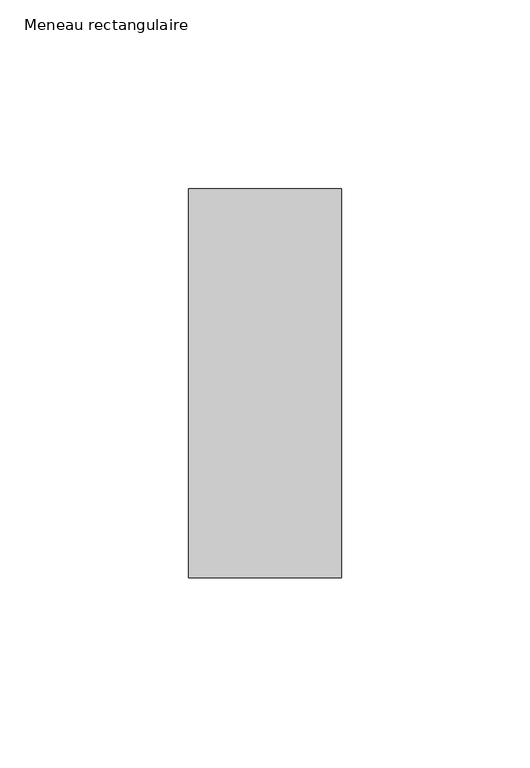
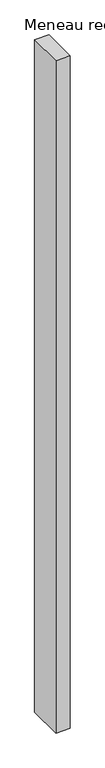
"""IFC4 building model written with IfcOpenShell, lengths in millimetres: member geometry, Meneau rectangulaire."""

from ifc_helpers import new_model, si_unit, frame, origin, place, context, project, spatial, polyline, outline, extrude, source, transform, mapped, element, save


def meneau_rectangulaire_ca904465(model_context):
    return source(origin(), model_context, "Body", "SweptSolid", [
        extrude(outline(polyline([(0.0, 51.4988742), (0.0, -51.4925062), (-40.4444905, -51.4925062), (-40.4444905, 51.4988742), (0.0, 51.4988742)])), frame((0.0, 0.0, -2000.0), z_axis=(0.0, 0.0, 1.0), x_axis=(1.0, 0.0, 0.0)), (0.0, 0.0, 1.0), 2000.0),
    ])


if __name__ == "__main__":
    model = new_model("IFC4")
    model_context = context("Model", 3, world=origin())
    ifc_project = project(units=[si_unit("LENGTHUNIT", "METRE", prefix="MILLI")], contexts=[model_context])
    site = spatial("IfcSite", under=ifc_project)
    building = spatial("IfcBuilding", under=site)
    placement = place(None, origin())
    meneau_rectangulaire_shape = meneau_rectangulaire_ca904465(model_context)
    element("IfcMember", 1, ObjectType="Meneau rectangulaire", at=placement, inside=building, context=model_context, shape_type="MappedRepresentation", body=[
        mapped(meneau_rectangulaire_shape, transform((0.0, 0.0, 0.0), x_axis=(1.0, 0.0, 0.0), y_axis=(0.0, 1.0, 0.0), z_axis=(0.0, 0.0, 1.0))),
    ])
    save(model, "model.ifc")
